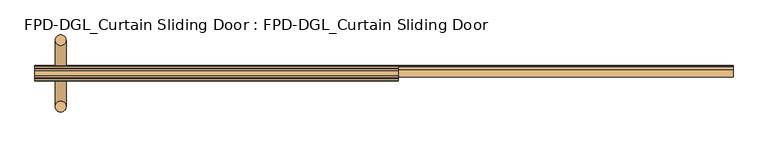
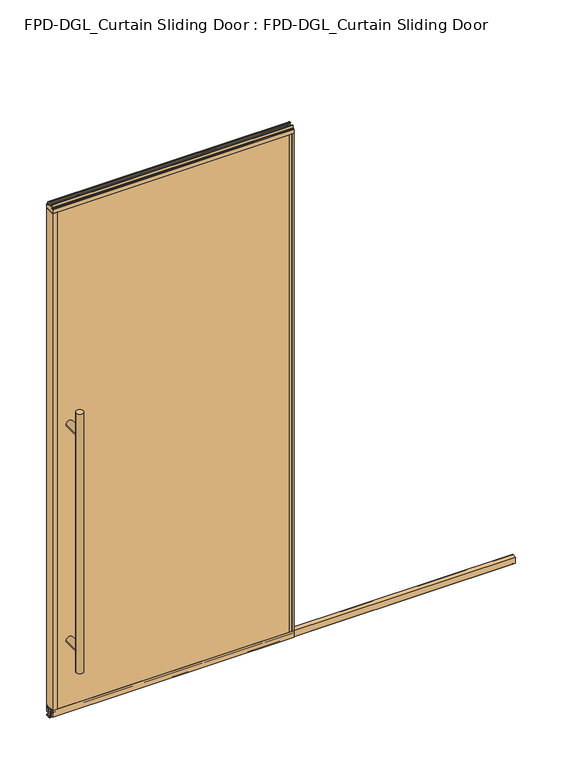
"""IFC4 building model written with IfcOpenShell, lengths in millimetres: door geometry, FPD-DGL_Curtain Sliding Door : FPD-DGL_Curtain Sliding Door."""

from ifc_helpers import new_model, si_unit, point, frame, frame_2d, origin, place, context, project, spatial, polyline, circle_curve, ellipse_curve, trimmed, segment, composite_curve, outline, extrude, source, transform, mapped, element, save
from ifc_brep_helpers import plane_surface, cylinder_surface, advanced_brep


def fpd_dgl_curtain_sliding_door_fpd_dgl_curtain_sliding_door_453752b7(model_context):
    return source(origin(), model_context, "Body", "SolidModel", [
        advanced_brep(
        [(-445.5173971, 35.128049, 1473.2), (-477.2673971, 35.128049, 1473.2), (-445.5173971, -162.0969566, 1473.2), (-477.2673971, -162.0969566, 1473.2), (-445.5173971, 35.128049, 254.0), (-477.2673971, 35.128049, 254.0), (-445.5173971, -162.0969566, 254.0), (-477.2673971, -162.0969566, 254.0), (-445.5173971, 35.128049, 355.6), (-477.2673971, 35.128049, 355.6), (-445.5173971, 35.128049, 1371.6), (-477.2673971, 35.128049, 1371.6), (-477.2673971, -162.0969566, 1371.6), (-477.2673971, -162.0969566, 355.6), (-445.5173971, -162.0969566, 355.6), (-445.5173971, -162.0969566, 1371.6)],
        [
            (0, 1, circle_curve(frame((-461.3923971, 35.128049, 1473.2), z_axis=(0.0, 0.0, 1.0), x_axis=(-1.0, 0.0, 0.0)), 15.875)),
            (1, 0, circle_curve(frame((-461.3923971, 35.128049, 1473.2), z_axis=(0.0, 0.0, 1.0), x_axis=(-1.0, 0.0, 0.0)), 15.875)),
            (2, 3, circle_curve(frame((-461.3923971, -162.0969566, 1473.2), z_axis=(0.0, 0.0, 1.0), x_axis=(-1.0, 0.0, 0.0)), 15.875)),
            (3, 2, circle_curve(frame((-461.3923971, -162.0969566, 1473.2), z_axis=(0.0, 0.0, 1.0), x_axis=(-1.0, 0.0, 0.0)), 15.875)),
            (4, 5, circle_curve(frame((-461.3923971, 35.128049, 254.0), z_axis=(0.0, 0.0, -1.0), x_axis=(-1.0, 0.0, 0.0)), 15.875)),
            (5, 4, circle_curve(frame((-461.3923971, 35.128049, 254.0), z_axis=(0.0, 0.0, -1.0), x_axis=(-1.0, 0.0, 0.0)), 15.875)),
            (6, 7, circle_curve(frame((-461.3923971, -162.0969566, 254.0), z_axis=(0.0, 0.0, -1.0), x_axis=(-1.0, 0.0, 0.0)), 15.875)),
            (7, 6, circle_curve(frame((-461.3923971, -162.0969566, 254.0), z_axis=(0.0, 0.0, -1.0), x_axis=(-1.0, 0.0, 0.0)), 15.875)),
            (4, 8),
            (8, 9, ellipse_curve(frame((-461.3923971, 35.128049, 355.6), z_axis=(0.0, 0.7071067811865525, -0.7071067811865427), x_axis=(0.0, 0.7071067811865427, 0.7071067811865523)), 22.4506403, 15.875)),
            (9, 5),
            (10, 11, ellipse_curve(frame((-461.3923971, 35.128049, 1371.6), z_axis=(0.0, 0.7071067811865427, -0.7071067811865525), x_axis=(0.0, 0.7071067811865525, 0.7071067811865425)), 22.4506403, 15.875)),
            (11, 9),
            (9, 8, ellipse_curve(frame((-461.3923971, 35.128049, 355.6), z_axis=(0.0, 0.7071067811865427, 0.7071067811865525), x_axis=(0.0, -0.7071067811865525, 0.7071067811865425)), 22.4506403, 15.875)),
            (8, 10),
            (1, 11),
            (11, 10, ellipse_curve(frame((-461.3923971, 35.128049, 1371.6), z_axis=(0.0, 0.7071067811865525, 0.7071067811865427), x_axis=(0.0, -0.7071067811865427, 0.7071067811865523)), 22.4506403, 15.875)),
            (10, 0),
            (3, 12),
            (12, 13),
            (13, 7),
            (6, 14),
            (14, 15),
            (15, 2),
            (15, 12, ellipse_curve(frame((-461.3923971, -162.0969566, 1371.6), z_axis=(0.0, -0.7071067811865427, 0.7071067811865525), x_axis=(0.0, 0.7071067811865525, 0.7071067811865425)), 22.4506403, 15.875)),
            (13, 14, ellipse_curve(frame((-461.3923971, -162.0969566, 355.6), z_axis=(0.0, -0.7071067811865427, -0.7071067811865525), x_axis=(0.0, -0.7071067811865525, 0.7071067811865425)), 22.4506403, 15.875)),
            (14, 13, ellipse_curve(frame((-461.3923971, -162.0969566, 355.6), z_axis=(0.0, -0.7071067811865525, 0.7071067811865427), x_axis=(0.0, 0.7071067811865427, 0.7071067811865523)), 22.4506403, 15.875)),
            (12, 15, ellipse_curve(frame((-461.3923971, -162.0969566, 1371.6), z_axis=(0.0, -0.7071067811865525, -0.7071067811865427), x_axis=(0.0, -0.7071067811865427, 0.7071067811865523)), 22.4506403, 15.875)),
            (10, 15),
            (12, 11),
            (8, 14),
            (13, 9),
        ],
        [
            plane_surface(frame((-362.2849964, -63.5, 1473.2), z_axis=(0.0, 0.0, 1.0), x_axis=(0.0, 1.0, 0.0))),
            plane_surface(frame((-362.2849964, -63.5, 254.0), z_axis=(0.0, 0.0, -1.0), x_axis=(0.0, 1.0, 0.0))),
            cylinder_surface(frame((-461.3923971, 35.128049, 1473.2), z_axis=(0.0, 0.0, 1.0), x_axis=(-1.0, 0.0, 0.0)), 15.875),
            cylinder_surface(frame((-461.3923971, -162.0969566, 1473.2), z_axis=(0.0, 0.0, 1.0), x_axis=(-1.0, 0.0, 0.0)), 15.875),
            cylinder_surface(frame((-461.3923971, -162.0969566, 1371.6), z_axis=(0.0, 1.0, 0.0), x_axis=(1.0, 0.0, 0.0)), 15.875),
            cylinder_surface(frame((-461.3923971, -63.5, 355.6), z_axis=(0.0, 1.0, 0.0), x_axis=(1.0, 0.0, 0.0)), 15.875),
        ],
        [
            (0, [[1, 2]]),
            (0, [[3, 4]]),
            (1, [[5, 6]]),
            (1, [[7, 8]]),
            (2, [[9, 10, 11, -5]]),
            (2, [[12, 13, 14, 15]]),
            (2, [[16, 17, 18, -2]]),
            (2, [[-18, -15, -9, -6, -11, -13, -16, -1]]),
            (3, [[19, 20, 21, -7, 22, 23, 24, -4]]),
            (3, [[-24, 25, -19, -3]]),
            (3, [[-21, 26, -22, -8]]),
            (3, [[27, -20, 28, -23]]),
            (4, [[-12, 29, -28, 30]]),
            (4, [[-25, -29, -17, -30]]),
            (5, [[-10, 31, -26, 32]]),
            (5, [[-27, -31, -14, -32]]),
        ],
    ),
        extrude(outline(composite_curve([segment(polyline([(-59.6869794, 1.1714386), (-59.6869794, 4.0416386)]), True, "CONTINUOUS"), segment(trimmed(circle_curve(frame_2d((-58.5185794, 4.0416386)), 1.1684), [point((-59.6869794, 4.0416386))], [point((-58.9336188, 5.1338386))], False, "CARTESIAN"), True, "CONTINUOUS"), segment(polyline([(-58.9336188, 5.1338386), (-56.2262294, 5.1338386), (-56.2262294, 4.3138948), (-58.9122794, 4.3138948), (-58.9122794, 0.7650387), (-40.4337797, 0.7650387), (-40.4337797, 4.4232339), (-43.4288569, 4.4232339), (-43.4288569, 5.2100386), (-40.8401797, 5.2100386)]), True, "CONTINUOUS"), segment(trimmed(circle_curve(frame_2d((-40.8401797, 4.0416386)), 1.1684), [point((-40.8401797, 5.2100386))], [point((-39.6717797, 4.0416386))], False, "CARTESIAN"), True, "CONTINUOUS"), segment(polyline([(-39.6717797, 4.0416386), (-39.6717797, 1.1714386)]), True, "CONTINUOUS"), segment(trimmed(circle_curve(frame_2d((-40.8401797, 1.1714386)), 1.1684), [point((-39.6717797, 1.1714386))], [point((-40.8401797, 0.0030387))], False, "CARTESIAN"), True, "CONTINUOUS"), segment(polyline([(-40.8401797, 0.0030387), (-58.5185794, 0.0030387)]), True, "CONTINUOUS"), segment(trimmed(circle_curve(frame_2d((-58.5185794, 1.1714386)), 1.1684), [point((-58.5185794, 0.0030387))], [point((-59.6869794, 1.1714386))], False, "CARTESIAN"), True, "CONTINUOUS")], self_intersect=False)), frame((-537.5923971, 0.0, 0.0), z_axis=(1.0, 0.0, 0.0), x_axis=(0.0, 1.0, 0.0)), (0.0, 0.0, 1.0), 2065.7847943),
        extrude(outline(composite_curve([segment(polyline([(-74.4646139, 41.6030387), (-52.5646141, 41.6030387), (-52.5646141, 11.6839647), (-54.064702, 11.6839647), (-54.064702, 39.1709995)]), True, "CONTINUOUS"), segment(trimmed(circle_curve(frame_2d((-54.9969627, 39.1709995)), 0.9322606), [point((-54.064702, 39.1709995))], [point((-54.9969627, 40.1032601))], True, "CARTESIAN"), True, "CONTINUOUS"), segment(polyline([(-54.9969627, 40.1032601), (-60.0857402, 40.1032601)]), True, "CONTINUOUS"), segment(trimmed(circle_curve(frame_2d((-60.0857402, 39.1243868)), 0.9788733), [point((-60.0857402, 40.1032601))], [point((-61.0646135, 39.1243868))], True, "CARTESIAN"), True, "CONTINUOUS"), segment(polyline([(-61.0646135, 39.1243868), (-61.0646135, 11.6839647), (-62.6646138, 11.6839647), (-62.6646138, 33.5017657), (-64.0544462, 33.5017657), (-64.0544462, 34.3040626), (-62.6646138, 34.3040626), (-62.6646138, 35.6040627), (-73.4646139, 35.6040627), (-73.4646139, 34.3040626), (-72.0747815, 34.3040626), (-72.0747815, 33.5017657), (-73.4646139, 33.5017657), (-73.4646139, 11.6839647), (-74.4646139, 11.6839647), (-74.4646139, 41.6030387)]), True, "CONTINUOUS")], self_intersect=False)), frame((-537.5923971, 0.0, 0.0), z_axis=(1.0, 0.0, 0.0), x_axis=(0.0, 1.0, 0.0)), (0.0, 0.0, 1.0), 2065.7847943),
        extrude(outline(composite_curve([segment(polyline([(-49.1758097, 48.6471016), (-49.1758097, 47.6299627), (-50.5428229, 47.6299627), (-50.5428229, 41.3613764)]), True, "CONTINUOUS"), segment(trimmed(circle_curve(frame_2d((-48.227348, 41.3613764)), 2.3154748), [point((-50.5428229, 41.3613764))], [point((-48.227348, 39.0459016))], True, "CARTESIAN"), True, "CONTINUOUS"), segment(polyline([(-48.227348, 39.0459016), (-43.2396246, 39.0522555)]), True, "CONTINUOUS"), segment(trimmed(circle_curve(frame_2d((-43.337823, 39.8079016)), 0.762), [point((-43.2396246, 39.0522555))], [point((-42.575823, 39.8079016))], True, "CARTESIAN"), True, "CONTINUOUS"), segment(polyline([(-42.575823, 39.8079016), (-42.575823, 48.6471016), (-41.2758255, 48.6471016), (-41.2758255, 19.0059017), (-50.3972378, 19.0059017), (-50.3972378, 15.875), (-52.3015279, 15.875), (-52.3015279, 47.0470737), (-74.6984721, 47.0470737), (-74.6984721, 15.875), (-76.6027622, 15.875), (-76.6027622, 19.0059017), (-85.7241745, 19.0059017), (-85.7241745, 48.6471016), (-84.424177, 48.6471016), (-84.424177, 39.8079016)]), True, "CONTINUOUS"), segment(trimmed(circle_curve(frame_2d((-83.662177, 39.8079016)), 0.762), [point((-84.424177, 39.8079016))], [point((-83.7603754, 39.0522555))], True, "CARTESIAN"), True, "CONTINUOUS"), segment(polyline([(-83.7603754, 39.0522555), (-78.772652, 39.0459016)]), True, "CONTINUOUS"), segment(trimmed(circle_curve(frame_2d((-78.772652, 41.3613764)), 2.3154748), [point((-78.772652, 39.0459016))], [point((-76.4571771, 41.3613764))], True, "CARTESIAN"), True, "CONTINUOUS"), segment(polyline([(-76.4571771, 41.3613764), (-76.4571771, 47.6299627), (-77.8241903, 47.6299627), (-77.8241903, 48.6471016), (-49.1758097, 48.6471016)]), True, "CONTINUOUS")], self_intersect=False)), frame((-537.5923971, 0.0, 0.0), z_axis=(1.0, 0.0, 0.0), x_axis=(0.0, 1.0, 0.0)), (0.0, 0.0, 1.0), 1075.1847943),
        extrude(outline(composite_curve([segment(polyline([(-55.1000175, 2419.5752356), (-50.0953412, 2419.5752356)]), True, "CONTINUOUS"), segment(trimmed(circle_curve(frame_2d((-50.0953412, 2418.9799231)), 0.5953125), [point((-50.0953412, 2419.5752356))], [point((-49.5000287, 2418.9799231))], False, "CARTESIAN"), True, "CONTINUOUS"), segment(polyline([(-49.5000287, 2418.9799231), (-49.5000287, 2407.6119216)]), True, "CONTINUOUS"), segment(trimmed(circle_curve(frame_2d((-47.5809248, 2407.6119216)), 1.919104), [point((-49.5000287, 2407.6119216))], [point((-47.5809248, 2405.6928176))], True, "CARTESIAN"), True, "CONTINUOUS"), segment(polyline([(-47.5809248, 2405.6928176), (-42.0750432, 2405.6928176)]), True, "CONTINUOUS"), segment(trimmed(circle_curve(frame_2d((-42.0750432, 2404.8928191)), 0.7999985), [point((-42.0750432, 2405.6928176))], [point((-41.2750446, 2404.8928191))], False, "CARTESIAN"), True, "CONTINUOUS"), segment(polyline([(-41.2750446, 2404.8928191), (-41.2750446, 2386.0078176), (-42.5750423, 2386.0078176), (-42.5750423, 2396.1077976)]), True, "CONTINUOUS"), segment(trimmed(circle_curve(frame_2d((-43.0750413, 2396.1077976)), 0.499999), [point((-42.5750423, 2396.1077976))], [point((-43.0750413, 2396.6077966))], True, "CARTESIAN"), True, "CONTINUOUS"), segment(polyline([(-43.0750413, 2396.6077966), (-49.1750289, 2396.6077966), (-49.1750289, 2386.0078176), (-77.8249714, 2386.0078176), (-77.8249714, 2396.6077966), (-83.9249587, 2396.6077966)]), True, "CONTINUOUS"), segment(trimmed(circle_curve(frame_2d((-83.9249587, 2396.1077976)), 0.499999), [point((-83.9249587, 2396.6077966))], [point((-84.4249577, 2396.1077976))], True, "CARTESIAN"), True, "CONTINUOUS"), segment(polyline([(-84.4249577, 2396.1077976), (-84.4249577, 2386.0078176), (-85.7249551, 2386.0078176), (-85.7249551, 2404.8928191)]), True, "CONTINUOUS"), segment(trimmed(circle_curve(frame_2d((-84.9249567, 2404.8928191)), 0.7999984), [point((-85.7249551, 2404.8928191))], [point((-84.9249567, 2405.6928175))], False, "CARTESIAN"), True, "CONTINUOUS"), segment(polyline([(-84.9249567, 2405.6928175), (-79.4190752, 2405.6928175)]), True, "CONTINUOUS"), segment(trimmed(circle_curve(frame_2d((-79.4190752, 2407.6119214)), 1.919104), [point((-79.4190752, 2405.6928175))], [point((-77.4999713, 2407.6119214))], True, "CARTESIAN"), True, "CONTINUOUS"), segment(polyline([(-77.4999713, 2407.6119214), (-77.4999713, 2418.9799231)]), True, "CONTINUOUS"), segment(trimmed(circle_curve(frame_2d((-76.9046588, 2418.9799231)), 0.5953125), [point((-77.4999713, 2418.9799231))], [point((-76.9046588, 2419.5752356))], False, "CARTESIAN"), True, "CONTINUOUS"), segment(polyline([(-76.9046588, 2419.5752356), (-71.8999825, 2419.5752356), (-71.8999825, 2417.5752396), (-75.4999752, 2417.5752396), (-75.4999752, 2409.0752566)]), True, "CONTINUOUS"), segment(trimmed(circle_curve(frame_2d((-74.9999762, 2409.0752566)), 0.499999), [point((-75.4999752, 2409.0752566))], [point((-74.9999762, 2408.5752576))], True, "CARTESIAN"), True, "CONTINUOUS"), segment(polyline([(-74.9999762, 2408.5752576), (-52.0000238, 2408.5752576)]), True, "CONTINUOUS"), segment(trimmed(circle_curve(frame_2d((-52.0000238, 2409.0752566)), 0.499999), [point((-52.0000238, 2408.5752576))], [point((-51.5000248, 2409.0752566))], True, "CARTESIAN"), True, "CONTINUOUS"), segment(polyline([(-51.5000248, 2409.0752566), (-51.5000248, 2417.5752396), (-55.1000175, 2417.5752396), (-55.1000175, 2419.5752356)]), True, "CONTINUOUS")], self_intersect=False)), frame((-537.5923971, 0.0, 0.0), z_axis=(1.0, 0.0, 0.0), x_axis=(0.0, 1.0, 0.0)), (0.0, 0.0, 1.0), 1075.1847943),
        extrude(outline(polyline([(527.6555482, -84.4265993), (-527.6555482, -84.4265993), (-527.6555482, -77.825), (527.6555482, -77.825), (527.6555482, -84.4265993)])), frame((0.0, 0.0, 39.1580021), z_axis=(0.0, 0.0, 1.0), x_axis=(1.0, 0.0, 0.0)), (0.0, 0.0, 1.0), 2357.1832522),
        extrude(outline(polyline([(-527.6555482, -49.175), (-527.6555482, -42.5734007), (527.6555482, -42.5734007), (527.6555482, -49.175), (-527.6555482, -49.175)])), frame((0.0, 0.0, 39.1580021), z_axis=(0.0, 0.0, 1.0), x_axis=(1.0, 0.0, 0.0)), (0.0, 0.0, 1.0), 2357.1832522),
        extrude(outline(composite_curve([segment(polyline([(-537.5923971, -85.725), (-537.5923971, -41.275), (-517.0555482, -41.275), (-517.0555482, -42.5734), (-527.1263545, -42.5734)]), True, "CONTINUOUS"), segment(trimmed(circle_curve(frame_2d((-527.1263545, -43.1025937)), 0.5291937), [point((-527.1263545, -42.5734))], [point((-527.6555482, -43.1025937))], True, "CARTESIAN"), True, "CONTINUOUS"), segment(polyline([(-527.6555482, -43.1025937), (-527.6555482, -45.0596), (-528.8555481, -45.0596), (-528.8555481, -42.5798), (-535.7889971, -42.5798), (-535.7889971, -54.254802), (-528.8555481, -54.254802), (-528.8555481, -49.175), (-517.0555482, -49.175), (-517.0555482, -77.825), (-528.8555481, -77.825), (-528.8555481, -72.745198), (-535.7889971, -72.745198), (-535.7889971, -84.4202), (-528.8555481, -84.4202), (-528.8555481, -81.9404), (-527.6555482, -81.9404), (-527.6555482, -83.9185993)]), True, "CONTINUOUS"), segment(trimmed(circle_curve(frame_2d((-527.1475482, -83.9185993)), 0.508), [point((-527.6555482, -83.9185993))], [point((-527.1475482, -84.4265993))], True, "CARTESIAN"), True, "CONTINUOUS"), segment(polyline([(-527.1475482, -84.4265993), (-517.0555482, -84.4265993), (-517.0555482, -85.725), (-537.5923971, -85.725)]), True, "CONTINUOUS")], self_intersect=False)), frame((0.0, 0.0, 48.6471016), z_axis=(0.0, 0.0, 1.0), x_axis=(1.0, 0.0, 0.0)), (0.0, 0.0, 1.0), 2337.360716),
        extrude(outline(composite_curve([segment(polyline([(537.5923971, -85.725), (517.0555482, -85.725), (517.0555482, -84.4265993), (527.1475482, -84.4265993)]), True, "CONTINUOUS"), segment(trimmed(circle_curve(frame_2d((527.1475482, -83.9185993)), 0.508), [point((527.1475482, -84.4265993))], [point((527.6555482, -83.9185993))], True, "CARTESIAN"), True, "CONTINUOUS"), segment(polyline([(527.6555482, -83.9185993), (527.6555482, -81.9404), (528.8555481, -81.9404), (528.8555481, -84.4202), (535.7889971, -84.4202), (535.7889971, -72.745198), (528.8555481, -72.745198), (528.8555481, -77.825), (517.0555483, -77.825), (517.0555483, -49.175), (528.8555481, -49.175), (528.8555481, -54.254802), (535.7889971, -54.254802), (535.7889971, -42.5798), (528.8555481, -42.5798), (528.8555481, -45.0596), (527.6555482, -45.0596), (527.6555482, -43.1025937)]), True, "CONTINUOUS"), segment(trimmed(circle_curve(frame_2d((527.1263545, -43.1025937)), 0.5291937), [point((527.6555482, -43.1025937))], [point((527.1263545, -42.5734))], True, "CARTESIAN"), True, "CONTINUOUS"), segment(polyline([(527.1263545, -42.5734), (517.0555481, -42.5734), (517.0555481, -41.275), (537.5923971, -41.275), (537.5923971, -85.725)]), True, "CONTINUOUS")], self_intersect=False)), frame((0.0, 0.0, 48.6471016), z_axis=(0.0, 0.0, 1.0), x_axis=(1.0, 0.0, 0.0)), (0.0, 0.0, 1.0), 2337.360716),
    ])


if __name__ == "__main__":
    model = new_model("IFC4")
    model_context = context("Model", 3, world=origin())
    ifc_project = project(units=[si_unit("LENGTHUNIT", "METRE", prefix="MILLI")], contexts=[model_context])
    site = spatial("IfcSite", under=ifc_project)
    building = spatial("IfcBuilding", under=site)
    placement = place(None, origin())
    fpd_dgl_curtain_sliding_door_fpd_dgl_curtain_sliding_door_shape = fpd_dgl_curtain_sliding_door_fpd_dgl_curtain_sliding_door_453752b7(model_context)
    element("IfcDoor", 1, ObjectType="FPD-DGL_Curtain Sliding Door : FPD-DGL_Curtain Sliding Door", at=placement, inside=building, context=model_context, shape_type="MappedRepresentation", body=[
        mapped(fpd_dgl_curtain_sliding_door_fpd_dgl_curtain_sliding_door_shape, transform((0.0, 0.0, 0.0), x_axis=(1.0, 0.0, 0.0), y_axis=(0.0, 1.0, 0.0), z_axis=(0.0, 0.0, 1.0))),
    ])
    save(model, "model.ifc")
